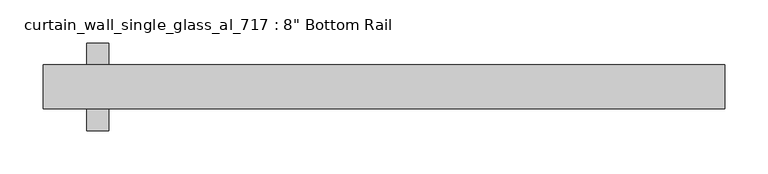
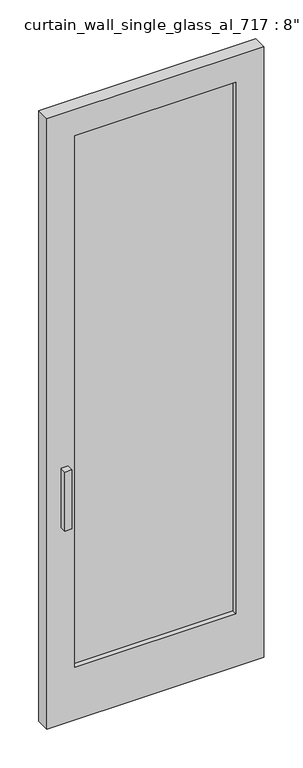
"""IFC4 building model written with IfcOpenShell, lengths in millimetres: plate geometry."""

from ifc_helpers import new_model, si_unit, frame, origin, place, context, project, spatial, polyline, outline, extrude, source, transform, mapped, element, save


def plate_7e149e77(model_context):
    return source(origin(), model_context, "Body", "SweptSolid", [
        extrude(outline(polyline([(294.4856701, -6.35), (-294.4856701, -6.35), (-294.4856701, 6.35), (294.4856701, 6.35), (294.4856701, -6.35)])), frame((0.0, 0.0, 203.2), z_axis=(0.0, 0.0, 1.0), x_axis=(1.0, 0.0, 0.0)), (0.0, 0.0, 1.0), 2054.175216),
        extrude(outline(polyline([(2358.975216, -395.9949604), (0.0, -395.9949604), (0.0, 396.0856701), (2358.975216, 396.0856701), (2358.975216, -395.9949604)]), holes=[polyline([(2257.375216, 294.4856701), (203.2, 294.4856701), (203.2, -294.4856701), (2257.375216, -294.4856701), (2257.375216, 294.4856701)])]), frame((0.0, -25.4, 0.0), z_axis=(0.0, 1.0, 0.0), x_axis=(0.0, 0.0, 1.0)), (0.0, 0.0, 1.0), 50.8),
        extrude(outline(polyline([(-319.8856701, -50.8), (-345.2856701, -50.8), (-345.2856701, 0.0), (-319.8856701, 0.0), (-319.8856701, -50.8)])), frame((0.0, 0.0, 762.0), z_axis=(0.0, 0.0, 1.0), x_axis=(1.0, 0.0, 0.0)), (0.0, 0.0, 1.0), 228.6),
        extrude(outline(polyline([(-345.2856701, 50.8), (-319.8856701, 50.8), (-319.8856701, 0.0), (-345.2856701, 0.0), (-345.2856701, 50.8)])), frame((0.0, 0.0, 762.0), z_axis=(0.0, 0.0, 1.0), x_axis=(1.0, 0.0, 0.0)), (0.0, 0.0, 1.0), 228.6),
    ])


if __name__ == "__main__":
    model = new_model("IFC4")
    model_context = context("Model", 3, world=origin())
    ifc_project = project(units=[si_unit("LENGTHUNIT", "METRE", prefix="MILLI")], contexts=[model_context])
    site = spatial("IfcSite", under=ifc_project)
    building = spatial("IfcBuilding", under=site)
    placement = place(None, origin())
    plate_shape = plate_7e149e77(model_context)
    element("IfcPlate", 1, ObjectType="curtain_wall_single_glass_al_717 : 8\" Bottom Rail", at=placement, inside=building, context=model_context, shape_type="MappedRepresentation", body=[
        mapped(plate_shape, transform((0.0, 0.0, 0.0), x_axis=(1.0, 0.0, 0.0), y_axis=(0.0, 1.0, 0.0), z_axis=(0.0, 0.0, 1.0))),
    ])
    save(model, "model.ifc")
